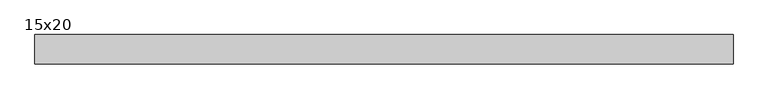
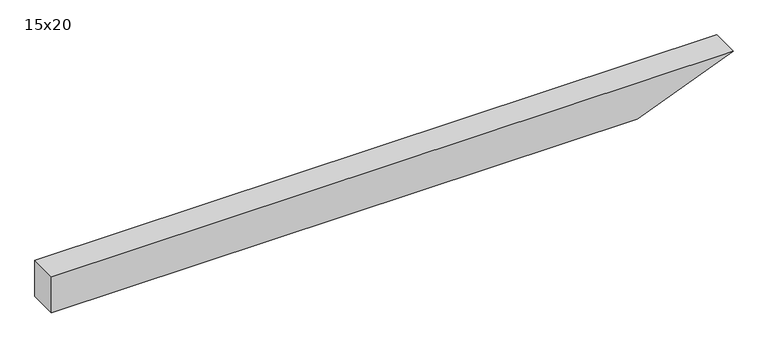
"""IFC4 building model written with IfcOpenShell, lengths in millimetres: beam geometry, 15x20."""

from ifc_helpers import new_model, si_unit, frame, origin, place, context, project, spatial, polyline, outline, extrude, source, transform, mapped, element, save


def beam_15x20_783f56bd(model_context):
    return source(origin(), model_context, "Body", "SweptSolid", [
        extrude(outline(polyline([(100.0, -1806.5), (-100.0, -1806.5), (-100.0, 1254.3), (100.0, 1756.5), (100.0, -1806.5)])), frame((0.0, -75.0, 0.0), z_axis=(0.0, 1.0, 0.0), x_axis=(0.0, 0.0, 1.0)), (0.0, 0.0, 1.0), 150.0),
    ])


if __name__ == "__main__":
    model = new_model("IFC4")
    model_context = context("Model", 3, world=origin())
    ifc_project = project(units=[si_unit("LENGTHUNIT", "METRE", prefix="MILLI")], contexts=[model_context])
    site = spatial("IfcSite", under=ifc_project)
    building = spatial("IfcBuilding", under=site)
    placement = place(None, origin())
    beam_15x20_shape = beam_15x20_783f56bd(model_context)
    element("IfcBeam", 1, ObjectType="15x20", at=placement, inside=building, context=model_context, shape_type="MappedRepresentation", body=[
        mapped(beam_15x20_shape, transform((0.0, 0.0, 0.0), x_axis=(1.0, 0.0, 0.0), y_axis=(0.0, 1.0, 0.0), z_axis=(0.0, 0.0, 1.0))),
    ])
    save(model, "model.ifc")
